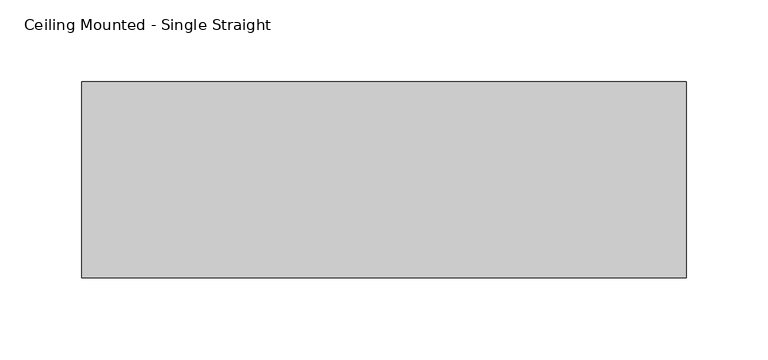
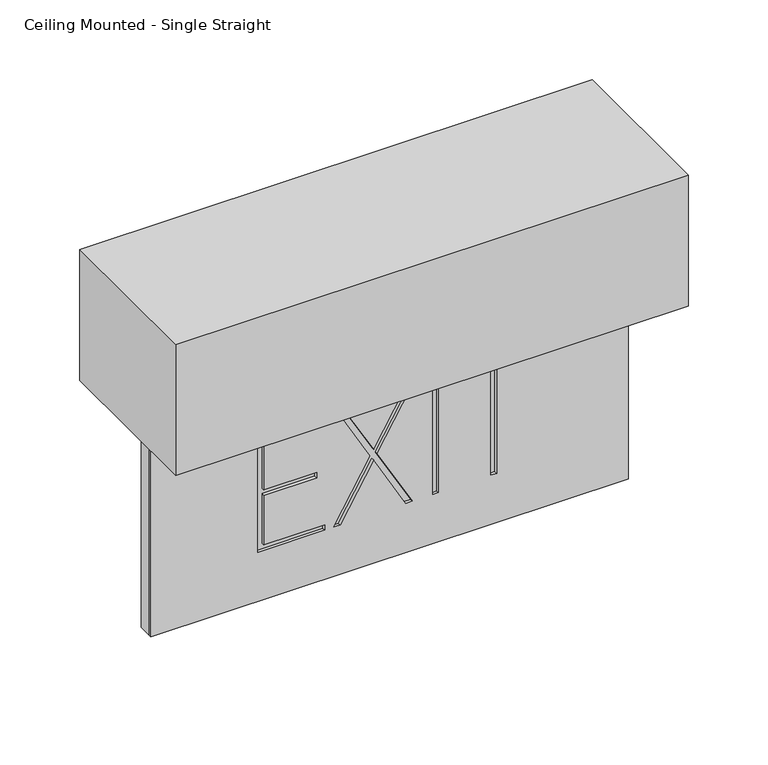
"""IFC4 building model written with IfcOpenShell, lengths in millimetres: light fixture geometry, Ceiling Mounted - Single Straight."""

from ifc_helpers import new_model, si_unit, frame, origin, origin_with_axes, place, context, project, spatial, polyline, outline, extrude, source, transform, mapped, element, save


def ceiling_mounted_single_straight_41cf6f38(model_context):
    return source(origin(), model_context, "Body", "SweptSolid", [
        extrude(outline(polyline([(0.0, -172.5), (-160.0, -172.5), (-160.0, 172.5), (0.0, 172.5), (0.0, -172.5)]), holes=[polyline([(-35.1537951, -95.3752712), (-35.1537951, -46.8575464), (-39.1537951, -46.8575464), (-39.1537951, -90.8575464), (-76.1537951, -90.8575464), (-76.1537951, -52.7280535), (-80.1537951, -52.7280535), (-80.1537951, -90.8575464), (-118.2149526, -90.8575464), (-118.2149526, -46.9924886), (-122.2149526, -46.9924886), (-122.2149526, -95.3752712), (-35.1537951, -95.3752712)]), polyline([(-35.1537951, 47.9772553), (-35.1537951, 101.9772553), (-39.1537951, 101.9772553), (-39.1537951, 77.2272553), (-122.2149526, 77.2272553), (-122.2149526, 73.2272553), (-39.1537951, 73.2272553), (-39.1537951, 47.9772553), (-35.1537951, 47.9772553)]), polyline([(-77.0132059, -9.2655327), (-122.2149526, 16.3125125), (-122.2149526, 11.7165105), (-80.9987091, -11.6062816), (-122.2149526, -35.8132317), (-122.2149526, -40.4520934), (-76.9760395, -13.8825659), (-35.1537951, -37.5482722), (-35.1537951, -32.9522702), (-72.9905363, -11.541817), (-35.1537951, 10.680298), (-35.1537951, 15.3191596), (-77.0132059, -9.2655327)]), polyline([(-122.2149526, 31.1706298), (-35.1537951, 31.1706298), (-35.1537951, 35.1706298), (-122.2149526, 35.1706298), (-122.2149526, 31.1706298)])]), frame((0.0, -7.0, 0.0), z_axis=(0.0, 1.0, 0.0), x_axis=(0.0, 0.0, 1.0)), (0.0, 0.0, 1.0), 2.0),
        extrude(outline(polyline([(-172.5, -5.0), (-172.5, 5.0), (172.5, 5.0), (172.5, -5.0), (-172.5, -5.0)])), frame((0.0, 0.0, -160.0), z_axis=(0.0, 0.0, 1.0), x_axis=(1.0, 0.0, 0.0)), (0.0, 0.0, 1.0), 160.0),
        extrude(outline(polyline([(-185.0, 60.0), (185.0, 60.0), (185.0, -60.0), (-185.0, -60.0), (-185.0, 60.0)])), origin_with_axes(), (0.0, 0.0, 1.0), 100.0),
    ])


if __name__ == "__main__":
    model = new_model("IFC4")
    model_context = context("Model", 3, world=origin())
    ifc_project = project(units=[si_unit("LENGTHUNIT", "METRE", prefix="MILLI")], contexts=[model_context])
    site = spatial("IfcSite", under=ifc_project)
    building = spatial("IfcBuilding", under=site)
    placement = place(None, origin())
    ceiling_mounted_single_straight_shape = ceiling_mounted_single_straight_41cf6f38(model_context)
    element("IfcLightFixture", 1, ObjectType="Ceiling Mounted - Single Straight", at=placement, inside=building, context=model_context, shape_type="MappedRepresentation", body=[
        mapped(ceiling_mounted_single_straight_shape, transform((0.0, 0.0, 0.0), x_axis=(1.0, 0.0, 0.0), y_axis=(0.0, 1.0, 0.0), z_axis=(0.0, 0.0, 1.0))),
    ])
    save(model, "model.ifc")
